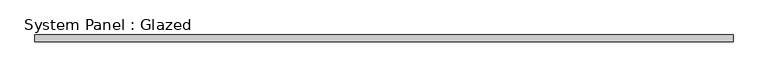
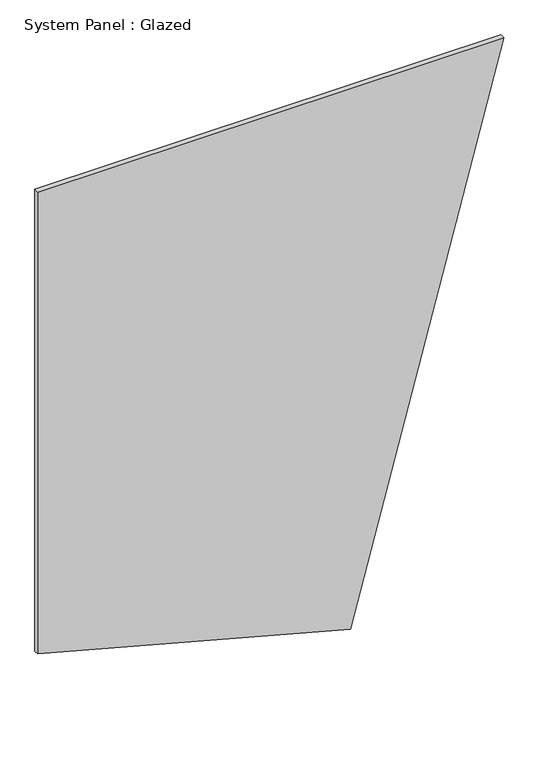
"""IFC4 building model written with IfcOpenShell, lengths in millimetres: plate geometry, System Panel : Glazed."""

from ifc_helpers import new_model, si_unit, frame, origin, place, context, project, spatial, polyline, outline, extrude, source, transform, mapped, element, save


def system_panel_glazed_ad56f93a(model_context):
    return source(origin(), model_context, "Body", "SweptSolid", [
        extrude(outline(polyline([(458.9827986, -1275.4596903), (0.0, 437.487434), (3127.3550357, 1275.4596903), (3127.3550357, -1275.4596903), (458.9827986, -1275.4596903)])), frame((0.0, -2.5, 0.0), z_axis=(0.0, 1.0, 0.0), x_axis=(0.0, 0.0, 1.0)), (0.0, 0.0, 1.0), 25.0),
    ])


if __name__ == "__main__":
    model = new_model("IFC4")
    model_context = context("Model", 3, world=origin())
    ifc_project = project(units=[si_unit("LENGTHUNIT", "METRE", prefix="MILLI")], contexts=[model_context])
    site = spatial("IfcSite", under=ifc_project)
    building = spatial("IfcBuilding", under=site)
    placement = place(None, origin())
    system_panel_glazed_shape = system_panel_glazed_ad56f93a(model_context)
    element("IfcPlate", 1, ObjectType="System Panel : Glazed", at=placement, inside=building, context=model_context, shape_type="MappedRepresentation", body=[
        mapped(system_panel_glazed_shape, transform((0.0, 0.0, 0.0), x_axis=(1.0, 0.0, 0.0), y_axis=(0.0, 1.0, 0.0), z_axis=(0.0, 0.0, 1.0))),
    ])
    save(model, "model.ifc")
